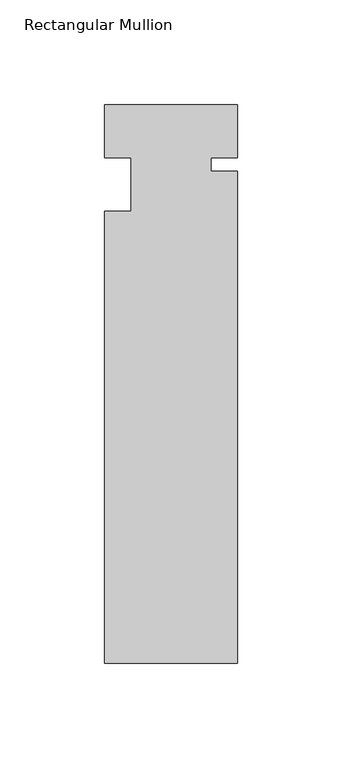
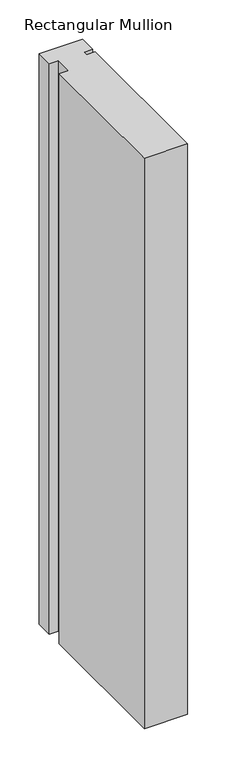
"""IFC4 building model written with IfcOpenShell, lengths in millimetres: member geometry, Rectangular Mullion."""

from ifc_helpers import new_model, si_unit, frame, origin, place, context, project, spatial, polyline, outline, extrude, source, transform, mapped, element, save


def rectangular_mullion_428ba524(model_context):
    return source(origin(), model_context, "Body", "SweptSolid", [
        extrude(outline(polyline([(31.75, -228.6), (-31.75, -228.6), (-31.75, -12.7), (-19.05, -12.7), (-19.05, 12.7), (-31.75, 12.7), (-31.75, 38.1), (31.75, 38.1), (31.75, 12.7), (19.05, 12.7), (19.05, 6.35), (31.75, 6.35), (31.75, -228.6)])), frame((0.0, 0.0, -882.65), z_axis=(0.0, 0.0, 1.0), x_axis=(1.0, 0.0, 0.0)), (0.0, 0.0, 1.0), 882.65),
    ])


if __name__ == "__main__":
    model = new_model("IFC4")
    model_context = context("Model", 3, world=origin())
    ifc_project = project(units=[si_unit("LENGTHUNIT", "METRE", prefix="MILLI")], contexts=[model_context])
    site = spatial("IfcSite", under=ifc_project)
    building = spatial("IfcBuilding", under=site)
    placement = place(None, origin())
    rectangular_mullion_shape = rectangular_mullion_428ba524(model_context)
    element("IfcMember", 1, ObjectType="Rectangular Mullion", at=placement, inside=building, context=model_context, shape_type="MappedRepresentation", body=[
        mapped(rectangular_mullion_shape, transform((0.0, 0.0, 0.0), x_axis=(1.0, 0.0, 0.0), y_axis=(0.0, 1.0, 0.0), z_axis=(0.0, 0.0, 1.0))),
    ])
    save(model, "model.ifc")
